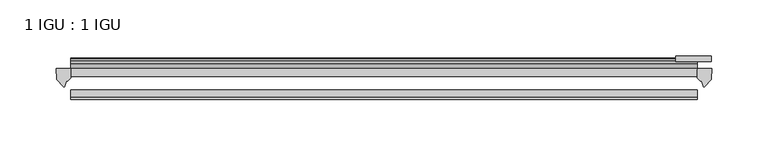
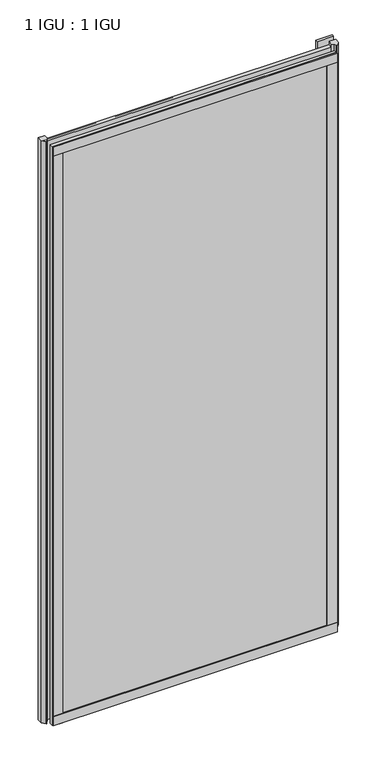
"""IFC4 building model written with IfcOpenShell, lengths in millimetres: plate geometry, 1 IGU : 1 IGU."""

from ifc_helpers import new_model, si_unit, point, frame, frame_2d, origin, place, context, project, spatial, polyline, circle_curve, trimmed, segment, composite_curve, outline, extrude, source, transform, mapped, element, save


def plate_1_igu_1_igu_1a2fa22c(model_context):
    return source(origin(), model_context, "Body", "SweptSolid", [
        extrude(outline(polyline([(278.9031125, -11.6085937), (278.9031125, -18.8576359), (-278.9031125, -18.8576359), (-278.9031125, -11.6085937), (278.9031125, -11.6085937)])), frame((0.0, 0.0, -19.05), z_axis=(0.0, 0.0, 1.0), x_axis=(1.0, 0.0, 0.0)), (0.0, 0.0, 1.0), 1200.15),
        extrude(outline(polyline([(-278.9031125, -30.7093937), (278.9031125, -30.7093937), (278.9031125, -37.0085937), (-278.9031125, -37.0085937), (-278.9031125, -30.7093937)])), frame((0.0, 0.0, -19.05), z_axis=(0.0, 0.0, 1.0), x_axis=(1.0, 0.0, 0.0)), (0.0, 0.0, 1.0), 1200.15),
        extrude(outline(polyline([(291.6031125, -0.4960937), (291.6031125, -5.3578125), (259.8531125, -5.3578125), (259.8531125, -0.4960937), (291.6031125, -0.4960937)])), frame((0.0, 0.0, -28.575), z_axis=(0.0, 0.0, 1.0), x_axis=(1.0, 0.0, 0.0)), (0.0, 0.0, 1.0), 28.575),
        extrude(outline(polyline([(259.8531125, -5.3578125), (259.8531125, -0.4960937), (291.6031125, -0.4960937), (291.6031125, -5.3578125), (259.8531125, -5.3578125)])), frame((0.0, 0.0, 1162.05), z_axis=(0.0, 0.0, 1.0), x_axis=(1.0, 0.0, 0.0)), (0.0, 0.0, 1.0), 28.575),
        extrude(outline(composite_curve([segment(polyline([(291.9810216, -11.6101465), (291.6031125, -21.3502133), (285.6650592, -27.6095865)]), True, "CONTINUOUS"), segment(trimmed(circle_curve(frame_2d((284.9922532, -27.2518492)), 0.762), [point((285.6650592, -27.6095865))], [point((284.2635489, -27.4746364))], False, "CARTESIAN"), True, "CONTINUOUS"), segment(polyline([(284.2635489, -27.4746364), (283.0017144, -23.3488397)]), True, "CONTINUOUS"), segment(trimmed(circle_curve(frame_2d((285.1836715, -16.3834724)), 7.2991286), [point((283.0017144, -23.3488397))], [point((278.9032911, -20.1028944))], False, "CARTESIAN"), True, "CONTINUOUS"), segment(polyline([(278.9032911, -20.1028944), (278.9032911, -12.664425)]), True, "CONTINUOUS"), segment(trimmed(circle_curve(frame_2d((285.1845456, -16.3827796)), 7.2993369), [point((278.9032911, -12.664425))], [point((279.6616575, -11.6101465))], False, "CARTESIAN"), True, "CONTINUOUS"), segment(polyline([(279.6616575, -11.6101465), (291.9810216, -11.6101465)]), True, "CONTINUOUS")], self_intersect=False)), frame((0.0, 0.0, -19.05), z_axis=(0.0, 0.0, 1.0), x_axis=(1.0, 0.0, 0.0)), (0.0, 0.0, 1.0), 1207.2874),
        extrude(outline(composite_curve([segment(polyline([(-278.9031125, -11.610702), (-278.9031125, -20.1014769)]), True, "CONTINUOUS"), segment(trimmed(circle_curve(frame_2d((-285.1843068, -16.3829847)), 7.2993552), [point((-278.9031125, -20.1014769))], [point((-283.0020623, -23.3484994))], False, "CARTESIAN"), True, "CONTINUOUS"), segment(polyline([(-283.0020623, -23.3484994), (-284.2635489, -27.4746364)]), True, "CONTINUOUS"), segment(trimmed(circle_curve(frame_2d((-284.9922532, -27.2518492)), 0.762), [point((-284.2635489, -27.4746364))], [point((-285.6650592, -27.6095865))], False, "CARTESIAN"), True, "CONTINUOUS"), segment(polyline([(-285.6650592, -27.6095865), (-291.6031125, -21.3502133), (-291.9810216, -11.610702), (-278.9031125, -11.610702)]), True, "CONTINUOUS")], self_intersect=False)), frame((0.0, 0.0, -19.05), z_axis=(0.0, 0.0, 1.0), x_axis=(1.0, 0.0, 0.0)), (0.0, 0.0, 1.0), 1207.2874),
        extrude(outline(polyline([(-278.9031125, -39.2945937), (-278.9031125, -37.0085937), (278.9031125, -37.0085937), (278.9031125, -39.2945937), (-278.9031125, -39.2945937)])), frame((0.0, 0.0, -19.05), z_axis=(0.0, 0.0, 1.0), x_axis=(1.0, 0.0, 0.0)), (0.0, 0.0, 1.0), 19.05),
        extrude(outline(composite_curve([segment(trimmed(circle_curve(frame_2d((-2.5575611, 32.8538976)), 31.3272753), [point((-11.6085937, 2.8626158))], [point((-2.2024699, 1.5286348))], True, "CARTESIAN"), True, "CONTINUOUS"), segment(polyline([(-2.2024699, 1.5286348), (-2.2024699, 0.0), (-5.2585937, 0.0), (-5.2585937, -5.2345509), (-3.3544944, -5.5797863), (-5.2585937, -8.255), (-5.2585937, -11.471876)]), True, "CONTINUOUS"), segment(trimmed(circle_curve(frame_2d((-6.5285937, -11.471876)), 1.27), [point((-5.2585937, -11.471876))], [point((-7.4547667, -12.340843))], False, "CARTESIAN"), True, "CONTINUOUS"), segment(polyline([(-7.4547667, -12.340843), (-11.6085937, -7.9135609), (-11.6085937, 2.8626158)]), True, "CONTINUOUS")], self_intersect=False)), frame((-278.9031125, 0.0, 0.0), z_axis=(1.0, 0.0, 0.0), x_axis=(0.0, 1.0, 0.0)), (0.0, 0.0, 1.0), 557.806225),
        extrude(outline(composite_curve([segment(trimmed(circle_curve(frame_2d((-6.5285937, 1173.521876)), 1.27), [point((-7.4547667, 1174.390843))], [point((-5.2585937, 1173.521876))], False, "CARTESIAN"), True, "CONTINUOUS"), segment(polyline([(-5.2585937, 1173.521876), (-5.2585937, 1170.305), (-3.3544944, 1167.6297863), (-5.2585937, 1167.2845509), (-5.2585937, 1162.05), (-2.385052, 1162.05)]), True, "CONTINUOUS"), segment(trimmed(circle_curve(frame_2d((-3.2589487, 1161.5317718)), 1.016), [point((-2.385052, 1162.05))], [point((-3.236916, 1160.5160107))], False, "CARTESIAN"), True, "CONTINUOUS"), segment(trimmed(circle_curve(frame_2d((-2.5575611, 1129.1961024)), 31.3272753), [point((-3.236916, 1160.5160107))], [point((-11.6085937, 1159.1873842))], True, "CARTESIAN"), True, "CONTINUOUS"), segment(polyline([(-11.6085937, 1159.1873842), (-11.6085937, 1169.9635609), (-7.4547667, 1174.390843)]), True, "CONTINUOUS")], self_intersect=False)), frame((-278.9031125, 0.0, 0.0), z_axis=(1.0, 0.0, 0.0), x_axis=(0.0, 1.0, 0.0)), (0.0, 0.0, 1.0), 557.806225),
        extrude(outline(polyline([(-278.9031125, -39.2945937), (-278.9031125, -37.0085937), (278.9031125, -37.0085937), (278.9031125, -39.2945937), (-278.9031125, -39.2945937)])), frame((0.0, 0.0, 1162.05), z_axis=(0.0, 0.0, 1.0), x_axis=(1.0, 0.0, 0.0)), (0.0, 0.0, 1.0), 19.05),
        extrude(outline(polyline([(259.8531125, -37.0085937), (278.9031125, -37.0085937), (278.9031125, -39.2945938), (259.8531125, -39.2945938), (259.8531125, -37.0085937)])), frame((0.0, 0.0, -19.05), z_axis=(0.0, 0.0, 1.0), x_axis=(1.0, 0.0, 0.0)), (0.0, 0.0, 1.0), 1200.15),
        extrude(outline(polyline([(-278.9031125, -39.2945937), (-278.9031125, -37.0085937), (-259.8531125, -37.0085937), (-259.8531125, -39.2945937), (-278.9031125, -39.2945937)])), frame((0.0, 0.0, -19.05), z_axis=(0.0, 0.0, 1.0), x_axis=(1.0, 0.0, 0.0)), (0.0, 0.0, 1.0), 1200.15),
    ])


if __name__ == "__main__":
    model = new_model("IFC4")
    model_context = context("Model", 3, world=origin())
    ifc_project = project(units=[si_unit("LENGTHUNIT", "METRE", prefix="MILLI")], contexts=[model_context])
    site = spatial("IfcSite", under=ifc_project)
    building = spatial("IfcBuilding", under=site)
    placement = place(None, origin())
    plate_1_igu_1_igu_shape = plate_1_igu_1_igu_1a2fa22c(model_context)
    element("IfcPlate", 1, ObjectType="1 IGU : 1 IGU", at=placement, inside=building, context=model_context, shape_type="MappedRepresentation", body=[
        mapped(plate_1_igu_1_igu_shape, transform((0.0, 0.0, 0.0), x_axis=(1.0, 0.0, 0.0), y_axis=(0.0, 1.0, 0.0), z_axis=(0.0, 0.0, 1.0))),
    ])
    save(model, "model.ifc")
